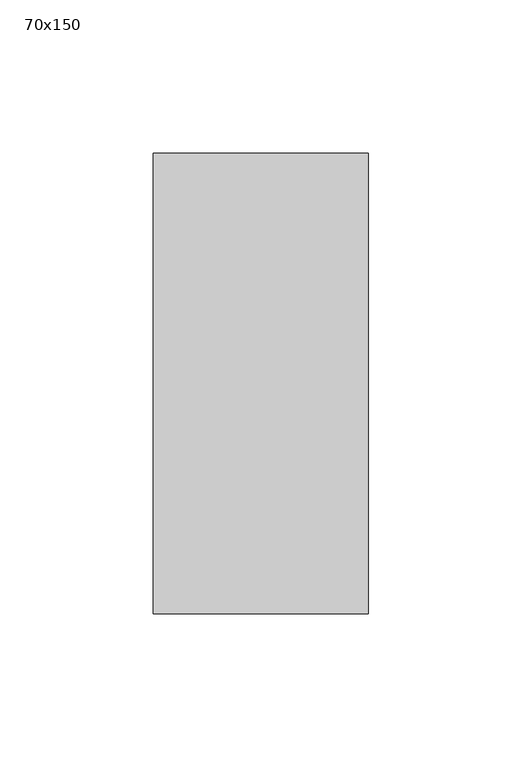
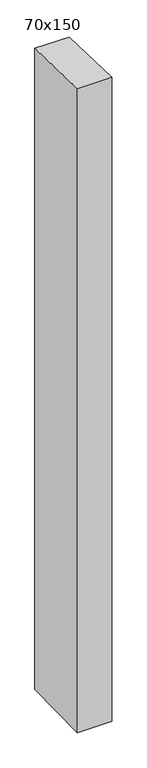
"""IFC4 building model written with IfcOpenShell, lengths in millimetres: member geometry, 70x150."""

from ifc_helpers import new_model, si_unit, frame, origin, place, context, project, spatial, polyline, outline, extrude, source, transform, mapped, element, save


def member_70x150_0f38a6a9(model_context):
    return source(origin(), model_context, "Body", "SweptSolid", [
        extrude(outline(polyline([(-75.0, 2.2718492), (75.0, -2.2718492), (75.0, -1384.5853628), (-75.0, -1386.5413288), (-75.0, 2.2718492)])), frame((-70.0, 0.0, 0.0), z_axis=(1.0, 0.0, 0.0), x_axis=(0.0, 1.0, 0.0)), (0.0, 0.0, 1.0), 70.0),
    ])


if __name__ == "__main__":
    model = new_model("IFC4")
    model_context = context("Model", 3, world=origin())
    ifc_project = project(units=[si_unit("LENGTHUNIT", "METRE", prefix="MILLI")], contexts=[model_context])
    site = spatial("IfcSite", under=ifc_project)
    building = spatial("IfcBuilding", under=site)
    placement = place(None, origin())
    member_70x150_shape = member_70x150_0f38a6a9(model_context)
    element("IfcMember", 1, ObjectType="70x150", at=placement, inside=building, context=model_context, shape_type="MappedRepresentation", body=[
        mapped(member_70x150_shape, transform((0.0, 0.0, 0.0), x_axis=(1.0, 0.0, 0.0), y_axis=(0.0, 1.0, 0.0), z_axis=(0.0, 0.0, 1.0))),
    ])
    save(model, "model.ifc")
